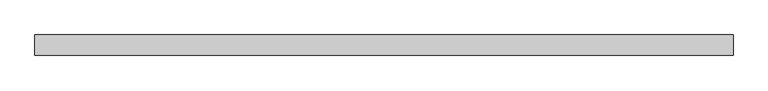
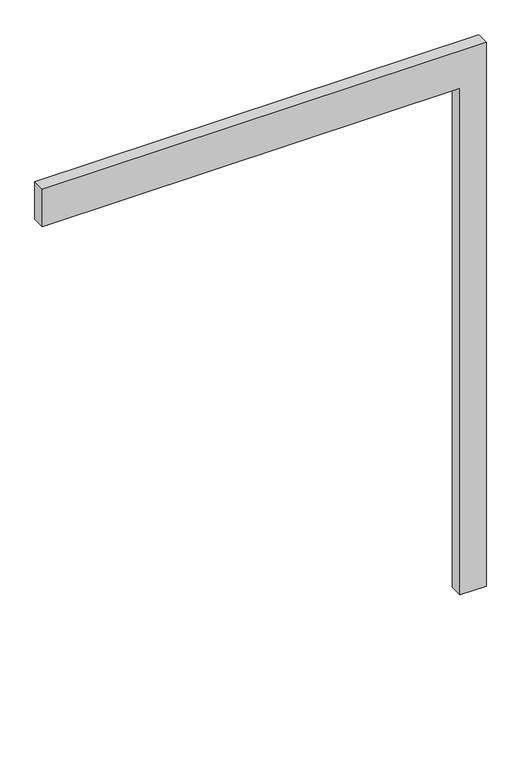
"""IFC4 building model written with IfcOpenShell, lengths in millimetres: proxy geometry."""

from ifc_helpers import new_model, si_unit, frame, origin, place, context, project, spatial, polyline, outline, extrude, source, transform, mapped, element, save


def generic_models_7f862544(model_context):
    return source(origin(), model_context, "Body", "SweptSolid", [
        extrude(outline(polyline([(2050.0, -1600.0), (2050.0, 0.0), (0.0, 0.0), (0.0, 100.0), (2200.0, 100.0), (2200.0, -1600.0), (2050.0, -1600.0)])), frame((0.0, -50.0, 0.0), z_axis=(0.0, 1.0, 0.0), x_axis=(0.0, 0.0, 1.0)), (0.0, 0.0, 1.0), 50.0),
    ])


if __name__ == "__main__":
    model = new_model("IFC4")
    model_context = context("Model", 3, world=origin())
    ifc_project = project(units=[si_unit("LENGTHUNIT", "METRE", prefix="MILLI")], contexts=[model_context])
    site = spatial("IfcSite", under=ifc_project)
    building = spatial("IfcBuilding", under=site)
    placement = place(None, origin())
    generic_models_shape = generic_models_7f862544(model_context)
    element("IfcBuildingElementProxy", 1, Name="Generic Models", at=placement, inside=building, context=model_context, shape_type="MappedRepresentation", body=[
        mapped(generic_models_shape, transform((0.0, 0.0, 0.0), x_axis=(1.0, 0.0, 0.0), y_axis=(0.0, 1.0, 0.0), z_axis=(0.0, 0.0, 1.0))),
    ])
    save(model, "model.ifc")
